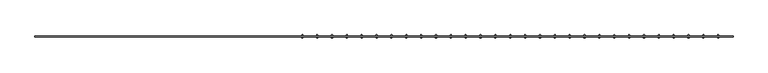
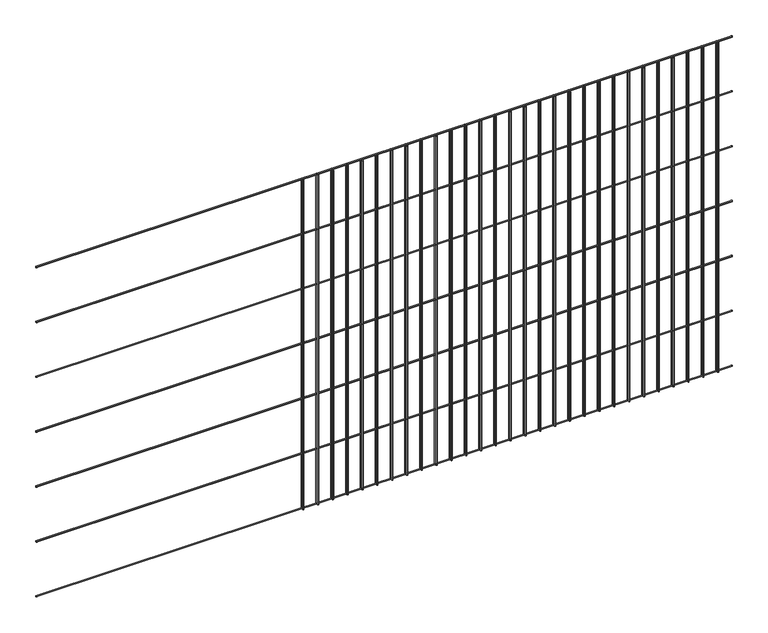
"""IFC4 building model written with IfcOpenShell, lengths in millimetres: railing geometry."""

from ifc_helpers import new_model, si_unit, point, frame, frame_2d, origin, place, context, project, spatial, circle_curve, trimmed, segment, composite_curve, outline, extrude, source, transform, mapped, element, save


def railing_7356c8a2(model_context):
    return source(origin(), model_context, "Body", "SweptSolid", [
        extrude(outline(composite_curve([segment(trimmed(circle_curve(frame_2d((-1798.7360363, 8841.2835937)), 2.0574), [point((-1796.6786363, 8841.2835937))], [point((-1800.7934363, 8841.2835937))], False, "CARTESIAN"), True, "CONTINUOUS"), segment(trimmed(circle_curve(frame_2d((-1798.7360363, 8841.2835937)), 2.0574), [point((-1800.7934363, 8841.2835937))], [point((-1796.6786363, 8841.2835937))], False, "CARTESIAN"), True, "CONTINUOUS")], self_intersect=False)), frame((-11285.4581376, 0.0, 0.0), z_axis=(1.0, 0.0, 0.0), x_axis=(0.0, 1.0, 0.0)), (0.0, 0.0, 1.0), 2438.4),
        extrude(outline(composite_curve([segment(trimmed(circle_curve(frame_2d((-1798.7360363, 8638.0835937)), 2.0574), [point((-1796.6786363, 8638.0835937))], [point((-1800.7934363, 8638.0835937))], False, "CARTESIAN"), True, "CONTINUOUS"), segment(trimmed(circle_curve(frame_2d((-1798.7360363, 8638.0835937)), 2.0574), [point((-1800.7934363, 8638.0835937))], [point((-1796.6786363, 8638.0835937))], False, "CARTESIAN"), True, "CONTINUOUS")], self_intersect=False)), frame((-11285.4581376, 0.0, 0.0), z_axis=(1.0, 0.0, 0.0), x_axis=(0.0, 1.0, 0.0)), (0.0, 0.0, 1.0), 2438.4),
        extrude(outline(composite_curve([segment(trimmed(circle_curve(frame_2d((-1798.7360363, 8434.8835937)), 2.0574), [point((-1796.6786363, 8434.8835937))], [point((-1800.7934363, 8434.8835937))], False, "CARTESIAN"), True, "CONTINUOUS"), segment(trimmed(circle_curve(frame_2d((-1798.7360363, 8434.8835937)), 2.0574), [point((-1800.7934363, 8434.8835937))], [point((-1796.6786363, 8434.8835937))], False, "CARTESIAN"), True, "CONTINUOUS")], self_intersect=False)), frame((-11285.4581376, 0.0, 0.0), z_axis=(1.0, 0.0, 0.0), x_axis=(0.0, 1.0, 0.0)), (0.0, 0.0, 1.0), 2438.4),
        extrude(outline(composite_curve([segment(trimmed(circle_curve(frame_2d((-1798.7360363, 8231.6835937)), 2.0574), [point((-1796.6786363, 8231.6835937))], [point((-1800.7934363, 8231.6835937))], False, "CARTESIAN"), True, "CONTINUOUS"), segment(trimmed(circle_curve(frame_2d((-1798.7360363, 8231.6835937)), 2.0574), [point((-1800.7934363, 8231.6835937))], [point((-1796.6786363, 8231.6835937))], False, "CARTESIAN"), True, "CONTINUOUS")], self_intersect=False)), frame((-11285.4581376, 0.0, 0.0), z_axis=(1.0, 0.0, 0.0), x_axis=(0.0, 1.0, 0.0)), (0.0, 0.0, 1.0), 2438.4),
        extrude(outline(composite_curve([segment(trimmed(circle_curve(frame_2d((-1798.7360363, 8028.4835937)), 2.0574), [point((-1796.6786363, 8028.4835937))], [point((-1800.7934363, 8028.4835937))], False, "CARTESIAN"), True, "CONTINUOUS"), segment(trimmed(circle_curve(frame_2d((-1798.7360363, 8028.4835937)), 2.0574), [point((-1800.7934363, 8028.4835937))], [point((-1796.6786363, 8028.4835937))], False, "CARTESIAN"), True, "CONTINUOUS")], self_intersect=False)), frame((-11285.4581376, 0.0, 0.0), z_axis=(1.0, 0.0, 0.0), x_axis=(0.0, 1.0, 0.0)), (0.0, 0.0, 1.0), 2438.4),
        extrude(outline(composite_curve([segment(trimmed(circle_curve(frame_2d((-1798.7360363, 7825.2835937)), 2.0574), [point((-1796.6786363, 7825.2835937))], [point((-1800.7934363, 7825.2835937))], False, "CARTESIAN"), True, "CONTINUOUS"), segment(trimmed(circle_curve(frame_2d((-1798.7360363, 7825.2835937)), 2.0574), [point((-1800.7934363, 7825.2835937))], [point((-1796.6786363, 7825.2835937))], False, "CARTESIAN"), True, "CONTINUOUS")], self_intersect=False)), frame((-11285.4581376, 0.0, 0.0), z_axis=(1.0, 0.0, 0.0), x_axis=(0.0, 1.0, 0.0)), (0.0, 0.0, 1.0), 2438.4),
        extrude(outline(composite_curve([segment(trimmed(circle_curve(frame_2d((-1798.7360363, 7622.0835937)), 2.0574), [point((-1796.6786363, 7622.0835937))], [point((-1800.7934363, 7622.0835937))], False, "CARTESIAN"), True, "CONTINUOUS"), segment(trimmed(circle_curve(frame_2d((-1798.7360363, 7622.0835937)), 2.0574), [point((-1800.7934363, 7622.0835937))], [point((-1796.6786363, 7622.0835937))], False, "CARTESIAN"), True, "CONTINUOUS")], self_intersect=False)), frame((-11285.4581376, 0.0, 0.0), z_axis=(1.0, 0.0, 0.0), x_axis=(0.0, 1.0, 0.0)), (0.0, 0.0, 1.0), 2438.4),
        extrude(outline(composite_curve([segment(trimmed(circle_curve(frame_2d((-8898.9389887, -1794.6212363)), 2.0574), [point((-8898.9389887, -1796.6786363))], [point((-8898.9389887, -1792.5638363))], False, "CARTESIAN"), True, "CONTINUOUS"), segment(trimmed(circle_curve(frame_2d((-8898.9389887, -1794.6212363)), 2.0574), [point((-8898.9389887, -1792.5638363))], [point((-8898.9389887, -1796.6786363))], False, "CARTESIAN"), True, "CONTINUOUS")], self_intersect=False)), frame((0.0, 0.0, 7620.0), z_axis=(0.0, 0.0, 1.0), x_axis=(1.0, 0.0, 0.0)), (0.0, 0.0, 1.0), 1219.2),
        extrude(outline(composite_curve([segment(trimmed(circle_curve(frame_2d((-8898.9389887, -1802.8508363)), 2.0574), [point((-8898.9389887, -1800.7934363))], [point((-8898.9389887, -1804.9082363))], False, "CARTESIAN"), True, "CONTINUOUS"), segment(trimmed(circle_curve(frame_2d((-8898.9389887, -1802.8508363)), 2.0574), [point((-8898.9389887, -1804.9082363))], [point((-8898.9389887, -1800.7934363))], False, "CARTESIAN"), True, "CONTINUOUS")], self_intersect=False)), frame((0.0, 0.0, 7620.0), z_axis=(0.0, 0.0, 1.0), x_axis=(1.0, 0.0, 0.0)), (0.0, 0.0, 1.0), 1219.2),
        extrude(outline(composite_curve([segment(trimmed(circle_curve(frame_2d((-8950.8198397, -1794.6212363)), 2.0574), [point((-8950.8198397, -1796.6786363))], [point((-8950.8198397, -1792.5638363))], False, "CARTESIAN"), True, "CONTINUOUS"), segment(trimmed(circle_curve(frame_2d((-8950.8198397, -1794.6212363)), 2.0574), [point((-8950.8198397, -1792.5638363))], [point((-8950.8198397, -1796.6786363))], False, "CARTESIAN"), True, "CONTINUOUS")], self_intersect=False)), frame((0.0, 0.0, 7620.0), z_axis=(0.0, 0.0, 1.0), x_axis=(1.0, 0.0, 0.0)), (0.0, 0.0, 1.0), 1219.2),
        extrude(outline(composite_curve([segment(trimmed(circle_curve(frame_2d((-8950.8198397, -1802.8508363)), 2.0574), [point((-8950.8198397, -1800.7934363))], [point((-8950.8198397, -1804.9082363))], False, "CARTESIAN"), True, "CONTINUOUS"), segment(trimmed(circle_curve(frame_2d((-8950.8198397, -1802.8508363)), 2.0574), [point((-8950.8198397, -1804.9082363))], [point((-8950.8198397, -1800.7934363))], False, "CARTESIAN"), True, "CONTINUOUS")], self_intersect=False)), frame((0.0, 0.0, 7620.0), z_axis=(0.0, 0.0, 1.0), x_axis=(1.0, 0.0, 0.0)), (0.0, 0.0, 1.0), 1219.2),
        extrude(outline(composite_curve([segment(trimmed(circle_curve(frame_2d((-9002.7006908, -1794.6212363)), 2.0574), [point((-9002.7006908, -1796.6786363))], [point((-9002.7006908, -1792.5638363))], False, "CARTESIAN"), True, "CONTINUOUS"), segment(trimmed(circle_curve(frame_2d((-9002.7006908, -1794.6212363)), 2.0574), [point((-9002.7006908, -1792.5638363))], [point((-9002.7006908, -1796.6786363))], False, "CARTESIAN"), True, "CONTINUOUS")], self_intersect=False)), frame((0.0, 0.0, 7620.0), z_axis=(0.0, 0.0, 1.0), x_axis=(1.0, 0.0, 0.0)), (0.0, 0.0, 1.0), 1219.2),
        extrude(outline(composite_curve([segment(trimmed(circle_curve(frame_2d((-9002.7006908, -1802.8508363)), 2.0574), [point((-9002.7006908, -1800.7934363))], [point((-9002.7006908, -1804.9082363))], False, "CARTESIAN"), True, "CONTINUOUS"), segment(trimmed(circle_curve(frame_2d((-9002.7006908, -1802.8508363)), 2.0574), [point((-9002.7006908, -1804.9082363))], [point((-9002.7006908, -1800.7934363))], False, "CARTESIAN"), True, "CONTINUOUS")], self_intersect=False)), frame((0.0, 0.0, 7620.0), z_axis=(0.0, 0.0, 1.0), x_axis=(1.0, 0.0, 0.0)), (0.0, 0.0, 1.0), 1219.2),
        extrude(outline(composite_curve([segment(trimmed(circle_curve(frame_2d((-9054.5815419, -1794.6212363)), 2.0574), [point((-9054.5815419, -1796.6786363))], [point((-9054.5815419, -1792.5638363))], False, "CARTESIAN"), True, "CONTINUOUS"), segment(trimmed(circle_curve(frame_2d((-9054.5815419, -1794.6212363)), 2.0574), [point((-9054.5815419, -1792.5638363))], [point((-9054.5815419, -1796.6786363))], False, "CARTESIAN"), True, "CONTINUOUS")], self_intersect=False)), frame((0.0, 0.0, 7620.0), z_axis=(0.0, 0.0, 1.0), x_axis=(1.0, 0.0, 0.0)), (0.0, 0.0, 1.0), 1219.2),
        extrude(outline(composite_curve([segment(trimmed(circle_curve(frame_2d((-9054.5815419, -1802.8508363)), 2.0574), [point((-9054.5815419, -1800.7934363))], [point((-9054.5815419, -1804.9082363))], False, "CARTESIAN"), True, "CONTINUOUS"), segment(trimmed(circle_curve(frame_2d((-9054.5815419, -1802.8508363)), 2.0574), [point((-9054.5815419, -1804.9082363))], [point((-9054.5815419, -1800.7934363))], False, "CARTESIAN"), True, "CONTINUOUS")], self_intersect=False)), frame((0.0, 0.0, 7620.0), z_axis=(0.0, 0.0, 1.0), x_axis=(1.0, 0.0, 0.0)), (0.0, 0.0, 1.0), 1219.2),
        extrude(outline(composite_curve([segment(trimmed(circle_curve(frame_2d((-9106.4623929, -1794.6212363)), 2.0574), [point((-9106.4623929, -1796.6786363))], [point((-9106.4623929, -1792.5638363))], False, "CARTESIAN"), True, "CONTINUOUS"), segment(trimmed(circle_curve(frame_2d((-9106.4623929, -1794.6212363)), 2.0574), [point((-9106.4623929, -1792.5638363))], [point((-9106.4623929, -1796.6786363))], False, "CARTESIAN"), True, "CONTINUOUS")], self_intersect=False)), frame((0.0, 0.0, 7620.0), z_axis=(0.0, 0.0, 1.0), x_axis=(1.0, 0.0, 0.0)), (0.0, 0.0, 1.0), 1219.2),
        extrude(outline(composite_curve([segment(trimmed(circle_curve(frame_2d((-9106.4623929, -1802.8508363)), 2.0574), [point((-9106.4623929, -1800.7934363))], [point((-9106.4623929, -1804.9082363))], False, "CARTESIAN"), True, "CONTINUOUS"), segment(trimmed(circle_curve(frame_2d((-9106.4623929, -1802.8508363)), 2.0574), [point((-9106.4623929, -1804.9082363))], [point((-9106.4623929, -1800.7934363))], False, "CARTESIAN"), True, "CONTINUOUS")], self_intersect=False)), frame((0.0, 0.0, 7620.0), z_axis=(0.0, 0.0, 1.0), x_axis=(1.0, 0.0, 0.0)), (0.0, 0.0, 1.0), 1219.2),
        extrude(outline(composite_curve([segment(trimmed(circle_curve(frame_2d((-9158.343244, -1794.6212363)), 2.0574), [point((-9158.343244, -1796.6786363))], [point((-9158.343244, -1792.5638363))], False, "CARTESIAN"), True, "CONTINUOUS"), segment(trimmed(circle_curve(frame_2d((-9158.343244, -1794.6212363)), 2.0574), [point((-9158.343244, -1792.5638363))], [point((-9158.343244, -1796.6786363))], False, "CARTESIAN"), True, "CONTINUOUS")], self_intersect=False)), frame((0.0, 0.0, 7620.0), z_axis=(0.0, 0.0, 1.0), x_axis=(1.0, 0.0, 0.0)), (0.0, 0.0, 1.0), 1219.2),
        extrude(outline(composite_curve([segment(trimmed(circle_curve(frame_2d((-9158.343244, -1802.8508363)), 2.0574), [point((-9158.343244, -1800.7934363))], [point((-9158.343244, -1804.9082363))], False, "CARTESIAN"), True, "CONTINUOUS"), segment(trimmed(circle_curve(frame_2d((-9158.343244, -1802.8508363)), 2.0574), [point((-9158.343244, -1804.9082363))], [point((-9158.343244, -1800.7934363))], False, "CARTESIAN"), True, "CONTINUOUS")], self_intersect=False)), frame((0.0, 0.0, 7620.0), z_axis=(0.0, 0.0, 1.0), x_axis=(1.0, 0.0, 0.0)), (0.0, 0.0, 1.0), 1219.2),
        extrude(outline(composite_curve([segment(trimmed(circle_curve(frame_2d((-9210.2240951, -1794.6212363)), 2.0574), [point((-9210.2240951, -1796.6786363))], [point((-9210.2240951, -1792.5638363))], False, "CARTESIAN"), True, "CONTINUOUS"), segment(trimmed(circle_curve(frame_2d((-9210.2240951, -1794.6212363)), 2.0574), [point((-9210.2240951, -1792.5638363))], [point((-9210.2240951, -1796.6786363))], False, "CARTESIAN"), True, "CONTINUOUS")], self_intersect=False)), frame((0.0, 0.0, 7620.0), z_axis=(0.0, 0.0, 1.0), x_axis=(1.0, 0.0, 0.0)), (0.0, 0.0, 1.0), 1219.2),
        extrude(outline(composite_curve([segment(trimmed(circle_curve(frame_2d((-9210.2240951, -1802.8508363)), 2.0574), [point((-9210.2240951, -1800.7934363))], [point((-9210.2240951, -1804.9082363))], False, "CARTESIAN"), True, "CONTINUOUS"), segment(trimmed(circle_curve(frame_2d((-9210.2240951, -1802.8508363)), 2.0574), [point((-9210.2240951, -1804.9082363))], [point((-9210.2240951, -1800.7934363))], False, "CARTESIAN"), True, "CONTINUOUS")], self_intersect=False)), frame((0.0, 0.0, 7620.0), z_axis=(0.0, 0.0, 1.0), x_axis=(1.0, 0.0, 0.0)), (0.0, 0.0, 1.0), 1219.2),
        extrude(outline(composite_curve([segment(trimmed(circle_curve(frame_2d((-9262.1049461, -1794.6212363)), 2.0574), [point((-9262.1049461, -1796.6786363))], [point((-9262.1049461, -1792.5638363))], False, "CARTESIAN"), True, "CONTINUOUS"), segment(trimmed(circle_curve(frame_2d((-9262.1049461, -1794.6212363)), 2.0574), [point((-9262.1049461, -1792.5638363))], [point((-9262.1049461, -1796.6786363))], False, "CARTESIAN"), True, "CONTINUOUS")], self_intersect=False)), frame((0.0, 0.0, 7620.0), z_axis=(0.0, 0.0, 1.0), x_axis=(1.0, 0.0, 0.0)), (0.0, 0.0, 1.0), 1219.2),
        extrude(outline(composite_curve([segment(trimmed(circle_curve(frame_2d((-9262.1049461, -1802.8508363)), 2.0574), [point((-9262.1049461, -1800.7934363))], [point((-9262.1049461, -1804.9082363))], False, "CARTESIAN"), True, "CONTINUOUS"), segment(trimmed(circle_curve(frame_2d((-9262.1049461, -1802.8508363)), 2.0574), [point((-9262.1049461, -1804.9082363))], [point((-9262.1049461, -1800.7934363))], False, "CARTESIAN"), True, "CONTINUOUS")], self_intersect=False)), frame((0.0, 0.0, 7620.0), z_axis=(0.0, 0.0, 1.0), x_axis=(1.0, 0.0, 0.0)), (0.0, 0.0, 1.0), 1219.2),
        extrude(outline(composite_curve([segment(trimmed(circle_curve(frame_2d((-9313.9857972, -1794.6212363)), 2.0574), [point((-9313.9857972, -1796.6786363))], [point((-9313.9857972, -1792.5638363))], False, "CARTESIAN"), True, "CONTINUOUS"), segment(trimmed(circle_curve(frame_2d((-9313.9857972, -1794.6212363)), 2.0574), [point((-9313.9857972, -1792.5638363))], [point((-9313.9857972, -1796.6786363))], False, "CARTESIAN"), True, "CONTINUOUS")], self_intersect=False)), frame((0.0, 0.0, 7620.0), z_axis=(0.0, 0.0, 1.0), x_axis=(1.0, 0.0, 0.0)), (0.0, 0.0, 1.0), 1219.2),
        extrude(outline(composite_curve([segment(trimmed(circle_curve(frame_2d((-9313.9857972, -1802.8508363)), 2.0574), [point((-9313.9857972, -1800.7934363))], [point((-9313.9857972, -1804.9082363))], False, "CARTESIAN"), True, "CONTINUOUS"), segment(trimmed(circle_curve(frame_2d((-9313.9857972, -1802.8508363)), 2.0574), [point((-9313.9857972, -1804.9082363))], [point((-9313.9857972, -1800.7934363))], False, "CARTESIAN"), True, "CONTINUOUS")], self_intersect=False)), frame((0.0, 0.0, 7620.0), z_axis=(0.0, 0.0, 1.0), x_axis=(1.0, 0.0, 0.0)), (0.0, 0.0, 1.0), 1219.2),
        extrude(outline(composite_curve([segment(trimmed(circle_curve(frame_2d((-9365.8666482, -1794.6212363)), 2.0574), [point((-9365.8666482, -1796.6786363))], [point((-9365.8666482, -1792.5638363))], False, "CARTESIAN"), True, "CONTINUOUS"), segment(trimmed(circle_curve(frame_2d((-9365.8666482, -1794.6212363)), 2.0574), [point((-9365.8666482, -1792.5638363))], [point((-9365.8666482, -1796.6786363))], False, "CARTESIAN"), True, "CONTINUOUS")], self_intersect=False)), frame((0.0, 0.0, 7620.0), z_axis=(0.0, 0.0, 1.0), x_axis=(1.0, 0.0, 0.0)), (0.0, 0.0, 1.0), 1219.2),
        extrude(outline(composite_curve([segment(trimmed(circle_curve(frame_2d((-9365.8666482, -1802.8508363)), 2.0574), [point((-9365.8666482, -1800.7934363))], [point((-9365.8666482, -1804.9082363))], False, "CARTESIAN"), True, "CONTINUOUS"), segment(trimmed(circle_curve(frame_2d((-9365.8666482, -1802.8508363)), 2.0574), [point((-9365.8666482, -1804.9082363))], [point((-9365.8666482, -1800.7934363))], False, "CARTESIAN"), True, "CONTINUOUS")], self_intersect=False)), frame((0.0, 0.0, 7620.0), z_axis=(0.0, 0.0, 1.0), x_axis=(1.0, 0.0, 0.0)), (0.0, 0.0, 1.0), 1219.2),
        extrude(outline(composite_curve([segment(trimmed(circle_curve(frame_2d((-9417.7474993, -1794.6212363)), 2.0574), [point((-9417.7474993, -1796.6786363))], [point((-9417.7474993, -1792.5638363))], False, "CARTESIAN"), True, "CONTINUOUS"), segment(trimmed(circle_curve(frame_2d((-9417.7474993, -1794.6212363)), 2.0574), [point((-9417.7474993, -1792.5638363))], [point((-9417.7474993, -1796.6786363))], False, "CARTESIAN"), True, "CONTINUOUS")], self_intersect=False)), frame((0.0, 0.0, 7620.0), z_axis=(0.0, 0.0, 1.0), x_axis=(1.0, 0.0, 0.0)), (0.0, 0.0, 1.0), 1219.2),
        extrude(outline(composite_curve([segment(trimmed(circle_curve(frame_2d((-9417.7474993, -1802.8508363)), 2.0574), [point((-9417.7474993, -1800.7934363))], [point((-9417.7474993, -1804.9082363))], False, "CARTESIAN"), True, "CONTINUOUS"), segment(trimmed(circle_curve(frame_2d((-9417.7474993, -1802.8508363)), 2.0574), [point((-9417.7474993, -1804.9082363))], [point((-9417.7474993, -1800.7934363))], False, "CARTESIAN"), True, "CONTINUOUS")], self_intersect=False)), frame((0.0, 0.0, 7620.0), z_axis=(0.0, 0.0, 1.0), x_axis=(1.0, 0.0, 0.0)), (0.0, 0.0, 1.0), 1219.2),
        extrude(outline(composite_curve([segment(trimmed(circle_curve(frame_2d((-9469.6283504, -1794.6212363)), 2.0574), [point((-9469.6283504, -1796.6786363))], [point((-9469.6283504, -1792.5638363))], False, "CARTESIAN"), True, "CONTINUOUS"), segment(trimmed(circle_curve(frame_2d((-9469.6283504, -1794.6212363)), 2.0574), [point((-9469.6283504, -1792.5638363))], [point((-9469.6283504, -1796.6786363))], False, "CARTESIAN"), True, "CONTINUOUS")], self_intersect=False)), frame((0.0, 0.0, 7620.0), z_axis=(0.0, 0.0, 1.0), x_axis=(1.0, 0.0, 0.0)), (0.0, 0.0, 1.0), 1219.2),
        extrude(outline(composite_curve([segment(trimmed(circle_curve(frame_2d((-9469.6283504, -1802.8508363)), 2.0574), [point((-9469.6283504, -1800.7934363))], [point((-9469.6283504, -1804.9082363))], False, "CARTESIAN"), True, "CONTINUOUS"), segment(trimmed(circle_curve(frame_2d((-9469.6283504, -1802.8508363)), 2.0574), [point((-9469.6283504, -1804.9082363))], [point((-9469.6283504, -1800.7934363))], False, "CARTESIAN"), True, "CONTINUOUS")], self_intersect=False)), frame((0.0, 0.0, 7620.0), z_axis=(0.0, 0.0, 1.0), x_axis=(1.0, 0.0, 0.0)), (0.0, 0.0, 1.0), 1219.2),
        extrude(outline(composite_curve([segment(trimmed(circle_curve(frame_2d((-9521.5092014, -1794.6212363)), 2.0574), [point((-9521.5092014, -1796.6786363))], [point((-9521.5092014, -1792.5638363))], False, "CARTESIAN"), True, "CONTINUOUS"), segment(trimmed(circle_curve(frame_2d((-9521.5092014, -1794.6212363)), 2.0574), [point((-9521.5092014, -1792.5638363))], [point((-9521.5092014, -1796.6786363))], False, "CARTESIAN"), True, "CONTINUOUS")], self_intersect=False)), frame((0.0, 0.0, 7620.0), z_axis=(0.0, 0.0, 1.0), x_axis=(1.0, 0.0, 0.0)), (0.0, 0.0, 1.0), 1219.2),
        extrude(outline(composite_curve([segment(trimmed(circle_curve(frame_2d((-9521.5092014, -1802.8508363)), 2.0574), [point((-9521.5092014, -1800.7934363))], [point((-9521.5092014, -1804.9082363))], False, "CARTESIAN"), True, "CONTINUOUS"), segment(trimmed(circle_curve(frame_2d((-9521.5092014, -1802.8508363)), 2.0574), [point((-9521.5092014, -1804.9082363))], [point((-9521.5092014, -1800.7934363))], False, "CARTESIAN"), True, "CONTINUOUS")], self_intersect=False)), frame((0.0, 0.0, 7620.0), z_axis=(0.0, 0.0, 1.0), x_axis=(1.0, 0.0, 0.0)), (0.0, 0.0, 1.0), 1219.2),
        extrude(outline(composite_curve([segment(trimmed(circle_curve(frame_2d((-9573.3900525, -1794.6212363)), 2.0574), [point((-9573.3900525, -1796.6786363))], [point((-9573.3900525, -1792.5638363))], False, "CARTESIAN"), True, "CONTINUOUS"), segment(trimmed(circle_curve(frame_2d((-9573.3900525, -1794.6212363)), 2.0574), [point((-9573.3900525, -1792.5638363))], [point((-9573.3900525, -1796.6786363))], False, "CARTESIAN"), True, "CONTINUOUS")], self_intersect=False)), frame((0.0, 0.0, 7620.0), z_axis=(0.0, 0.0, 1.0), x_axis=(1.0, 0.0, 0.0)), (0.0, 0.0, 1.0), 1219.2),
        extrude(outline(composite_curve([segment(trimmed(circle_curve(frame_2d((-9573.3900525, -1802.8508363)), 2.0574), [point((-9573.3900525, -1800.7934363))], [point((-9573.3900525, -1804.9082363))], False, "CARTESIAN"), True, "CONTINUOUS"), segment(trimmed(circle_curve(frame_2d((-9573.3900525, -1802.8508363)), 2.0574), [point((-9573.3900525, -1804.9082363))], [point((-9573.3900525, -1800.7934363))], False, "CARTESIAN"), True, "CONTINUOUS")], self_intersect=False)), frame((0.0, 0.0, 7620.0), z_axis=(0.0, 0.0, 1.0), x_axis=(1.0, 0.0, 0.0)), (0.0, 0.0, 1.0), 1219.2),
        extrude(outline(composite_curve([segment(trimmed(circle_curve(frame_2d((-9625.2709036, -1794.6212363)), 2.0574), [point((-9625.2709036, -1796.6786363))], [point((-9625.2709036, -1792.5638363))], False, "CARTESIAN"), True, "CONTINUOUS"), segment(trimmed(circle_curve(frame_2d((-9625.2709036, -1794.6212363)), 2.0574), [point((-9625.2709036, -1792.5638363))], [point((-9625.2709036, -1796.6786363))], False, "CARTESIAN"), True, "CONTINUOUS")], self_intersect=False)), frame((0.0, 0.0, 7620.0), z_axis=(0.0, 0.0, 1.0), x_axis=(1.0, 0.0, 0.0)), (0.0, 0.0, 1.0), 1219.2),
        extrude(outline(composite_curve([segment(trimmed(circle_curve(frame_2d((-9625.2709036, -1802.8508363)), 2.0574), [point((-9625.2709036, -1800.7934363))], [point((-9625.2709036, -1804.9082363))], False, "CARTESIAN"), True, "CONTINUOUS"), segment(trimmed(circle_curve(frame_2d((-9625.2709036, -1802.8508363)), 2.0574), [point((-9625.2709036, -1804.9082363))], [point((-9625.2709036, -1800.7934363))], False, "CARTESIAN"), True, "CONTINUOUS")], self_intersect=False)), frame((0.0, 0.0, 7620.0), z_axis=(0.0, 0.0, 1.0), x_axis=(1.0, 0.0, 0.0)), (0.0, 0.0, 1.0), 1219.2),
        extrude(outline(composite_curve([segment(trimmed(circle_curve(frame_2d((-9677.1517546, -1794.6212363)), 2.0574), [point((-9677.1517546, -1796.6786363))], [point((-9677.1517546, -1792.5638363))], False, "CARTESIAN"), True, "CONTINUOUS"), segment(trimmed(circle_curve(frame_2d((-9677.1517546, -1794.6212363)), 2.0574), [point((-9677.1517546, -1792.5638363))], [point((-9677.1517546, -1796.6786363))], False, "CARTESIAN"), True, "CONTINUOUS")], self_intersect=False)), frame((0.0, 0.0, 7620.0), z_axis=(0.0, 0.0, 1.0), x_axis=(1.0, 0.0, 0.0)), (0.0, 0.0, 1.0), 1219.2),
        extrude(outline(composite_curve([segment(trimmed(circle_curve(frame_2d((-9677.1517546, -1802.8508363)), 2.0574), [point((-9677.1517546, -1800.7934363))], [point((-9677.1517546, -1804.9082363))], False, "CARTESIAN"), True, "CONTINUOUS"), segment(trimmed(circle_curve(frame_2d((-9677.1517546, -1802.8508363)), 2.0574), [point((-9677.1517546, -1804.9082363))], [point((-9677.1517546, -1800.7934363))], False, "CARTESIAN"), True, "CONTINUOUS")], self_intersect=False)), frame((0.0, 0.0, 7620.0), z_axis=(0.0, 0.0, 1.0), x_axis=(1.0, 0.0, 0.0)), (0.0, 0.0, 1.0), 1219.2),
        extrude(outline(composite_curve([segment(trimmed(circle_curve(frame_2d((-9729.0326057, -1794.6212363)), 2.0574), [point((-9729.0326057, -1796.6786363))], [point((-9729.0326057, -1792.5638363))], False, "CARTESIAN"), True, "CONTINUOUS"), segment(trimmed(circle_curve(frame_2d((-9729.0326057, -1794.6212363)), 2.0574), [point((-9729.0326057, -1792.5638363))], [point((-9729.0326057, -1796.6786363))], False, "CARTESIAN"), True, "CONTINUOUS")], self_intersect=False)), frame((0.0, 0.0, 7620.0), z_axis=(0.0, 0.0, 1.0), x_axis=(1.0, 0.0, 0.0)), (0.0, 0.0, 1.0), 1219.2),
        extrude(outline(composite_curve([segment(trimmed(circle_curve(frame_2d((-9729.0326057, -1802.8508363)), 2.0574), [point((-9729.0326057, -1800.7934363))], [point((-9729.0326057, -1804.9082363))], False, "CARTESIAN"), True, "CONTINUOUS"), segment(trimmed(circle_curve(frame_2d((-9729.0326057, -1802.8508363)), 2.0574), [point((-9729.0326057, -1804.9082363))], [point((-9729.0326057, -1800.7934363))], False, "CARTESIAN"), True, "CONTINUOUS")], self_intersect=False)), frame((0.0, 0.0, 7620.0), z_axis=(0.0, 0.0, 1.0), x_axis=(1.0, 0.0, 0.0)), (0.0, 0.0, 1.0), 1219.2),
        extrude(outline(composite_curve([segment(trimmed(circle_curve(frame_2d((-9780.9134568, -1794.6212363)), 2.0574), [point((-9780.9134568, -1796.6786363))], [point((-9780.9134568, -1792.5638363))], False, "CARTESIAN"), True, "CONTINUOUS"), segment(trimmed(circle_curve(frame_2d((-9780.9134568, -1794.6212363)), 2.0574), [point((-9780.9134568, -1792.5638363))], [point((-9780.9134568, -1796.6786363))], False, "CARTESIAN"), True, "CONTINUOUS")], self_intersect=False)), frame((0.0, 0.0, 7620.0), z_axis=(0.0, 0.0, 1.0), x_axis=(1.0, 0.0, 0.0)), (0.0, 0.0, 1.0), 1219.2),
        extrude(outline(composite_curve([segment(trimmed(circle_curve(frame_2d((-9780.9134568, -1802.8508363)), 2.0574), [point((-9780.9134568, -1800.7934363))], [point((-9780.9134568, -1804.9082363))], False, "CARTESIAN"), True, "CONTINUOUS"), segment(trimmed(circle_curve(frame_2d((-9780.9134568, -1802.8508363)), 2.0574), [point((-9780.9134568, -1804.9082363))], [point((-9780.9134568, -1800.7934363))], False, "CARTESIAN"), True, "CONTINUOUS")], self_intersect=False)), frame((0.0, 0.0, 7620.0), z_axis=(0.0, 0.0, 1.0), x_axis=(1.0, 0.0, 0.0)), (0.0, 0.0, 1.0), 1219.2),
        extrude(outline(composite_curve([segment(trimmed(circle_curve(frame_2d((-9832.7943078, -1794.6212363)), 2.0574), [point((-9832.7943078, -1796.6786363))], [point((-9832.7943078, -1792.5638363))], False, "CARTESIAN"), True, "CONTINUOUS"), segment(trimmed(circle_curve(frame_2d((-9832.7943078, -1794.6212363)), 2.0574), [point((-9832.7943078, -1792.5638363))], [point((-9832.7943078, -1796.6786363))], False, "CARTESIAN"), True, "CONTINUOUS")], self_intersect=False)), frame((0.0, 0.0, 7620.0), z_axis=(0.0, 0.0, 1.0), x_axis=(1.0, 0.0, 0.0)), (0.0, 0.0, 1.0), 1219.2),
        extrude(outline(composite_curve([segment(trimmed(circle_curve(frame_2d((-9832.7943078, -1802.8508363)), 2.0574), [point((-9832.7943078, -1800.7934363))], [point((-9832.7943078, -1804.9082363))], False, "CARTESIAN"), True, "CONTINUOUS"), segment(trimmed(circle_curve(frame_2d((-9832.7943078, -1802.8508363)), 2.0574), [point((-9832.7943078, -1804.9082363))], [point((-9832.7943078, -1800.7934363))], False, "CARTESIAN"), True, "CONTINUOUS")], self_intersect=False)), frame((0.0, 0.0, 7620.0), z_axis=(0.0, 0.0, 1.0), x_axis=(1.0, 0.0, 0.0)), (0.0, 0.0, 1.0), 1219.2),
        extrude(outline(composite_curve([segment(trimmed(circle_curve(frame_2d((-9884.6751589, -1794.6212363)), 2.0574), [point((-9884.6751589, -1796.6786363))], [point((-9884.6751589, -1792.5638363))], False, "CARTESIAN"), True, "CONTINUOUS"), segment(trimmed(circle_curve(frame_2d((-9884.6751589, -1794.6212363)), 2.0574), [point((-9884.6751589, -1792.5638363))], [point((-9884.6751589, -1796.6786363))], False, "CARTESIAN"), True, "CONTINUOUS")], self_intersect=False)), frame((0.0, 0.0, 7620.0), z_axis=(0.0, 0.0, 1.0), x_axis=(1.0, 0.0, 0.0)), (0.0, 0.0, 1.0), 1219.2),
        extrude(outline(composite_curve([segment(trimmed(circle_curve(frame_2d((-9884.6751589, -1802.8508363)), 2.0574), [point((-9884.6751589, -1800.7934363))], [point((-9884.6751589, -1804.9082363))], False, "CARTESIAN"), True, "CONTINUOUS"), segment(trimmed(circle_curve(frame_2d((-9884.6751589, -1802.8508363)), 2.0574), [point((-9884.6751589, -1804.9082363))], [point((-9884.6751589, -1800.7934363))], False, "CARTESIAN"), True, "CONTINUOUS")], self_intersect=False)), frame((0.0, 0.0, 7620.0), z_axis=(0.0, 0.0, 1.0), x_axis=(1.0, 0.0, 0.0)), (0.0, 0.0, 1.0), 1219.2),
        extrude(outline(composite_curve([segment(trimmed(circle_curve(frame_2d((-9936.55601, -1794.6212363)), 2.0574), [point((-9936.55601, -1796.6786363))], [point((-9936.55601, -1792.5638363))], False, "CARTESIAN"), True, "CONTINUOUS"), segment(trimmed(circle_curve(frame_2d((-9936.55601, -1794.6212363)), 2.0574), [point((-9936.55601, -1792.5638363))], [point((-9936.55601, -1796.6786363))], False, "CARTESIAN"), True, "CONTINUOUS")], self_intersect=False)), frame((0.0, 0.0, 7620.0), z_axis=(0.0, 0.0, 1.0), x_axis=(1.0, 0.0, 0.0)), (0.0, 0.0, 1.0), 1219.2),
        extrude(outline(composite_curve([segment(trimmed(circle_curve(frame_2d((-9936.55601, -1802.8508363)), 2.0574), [point((-9936.55601, -1800.7934363))], [point((-9936.55601, -1804.9082363))], False, "CARTESIAN"), True, "CONTINUOUS"), segment(trimmed(circle_curve(frame_2d((-9936.55601, -1802.8508363)), 2.0574), [point((-9936.55601, -1804.9082363))], [point((-9936.55601, -1800.7934363))], False, "CARTESIAN"), True, "CONTINUOUS")], self_intersect=False)), frame((0.0, 0.0, 7620.0), z_axis=(0.0, 0.0, 1.0), x_axis=(1.0, 0.0, 0.0)), (0.0, 0.0, 1.0), 1219.2),
        extrude(outline(composite_curve([segment(trimmed(circle_curve(frame_2d((-9988.436861, -1794.6212363)), 2.0574), [point((-9988.436861, -1796.6786363))], [point((-9988.436861, -1792.5638363))], False, "CARTESIAN"), True, "CONTINUOUS"), segment(trimmed(circle_curve(frame_2d((-9988.436861, -1794.6212363)), 2.0574), [point((-9988.436861, -1792.5638363))], [point((-9988.436861, -1796.6786363))], False, "CARTESIAN"), True, "CONTINUOUS")], self_intersect=False)), frame((0.0, 0.0, 7620.0), z_axis=(0.0, 0.0, 1.0), x_axis=(1.0, 0.0, 0.0)), (0.0, 0.0, 1.0), 1219.2),
        extrude(outline(composite_curve([segment(trimmed(circle_curve(frame_2d((-9988.436861, -1802.8508363)), 2.0574), [point((-9988.436861, -1800.7934363))], [point((-9988.436861, -1804.9082363))], False, "CARTESIAN"), True, "CONTINUOUS"), segment(trimmed(circle_curve(frame_2d((-9988.436861, -1802.8508363)), 2.0574), [point((-9988.436861, -1804.9082363))], [point((-9988.436861, -1800.7934363))], False, "CARTESIAN"), True, "CONTINUOUS")], self_intersect=False)), frame((0.0, 0.0, 7620.0), z_axis=(0.0, 0.0, 1.0), x_axis=(1.0, 0.0, 0.0)), (0.0, 0.0, 1.0), 1219.2),
        extrude(outline(composite_curve([segment(trimmed(circle_curve(frame_2d((-10040.3177121, -1794.6212363)), 2.0574), [point((-10040.3177121, -1796.6786363))], [point((-10040.3177121, -1792.5638363))], False, "CARTESIAN"), True, "CONTINUOUS"), segment(trimmed(circle_curve(frame_2d((-10040.3177121, -1794.6212363)), 2.0574), [point((-10040.3177121, -1792.5638363))], [point((-10040.3177121, -1796.6786363))], False, "CARTESIAN"), True, "CONTINUOUS")], self_intersect=False)), frame((0.0, 0.0, 7620.0), z_axis=(0.0, 0.0, 1.0), x_axis=(1.0, 0.0, 0.0)), (0.0, 0.0, 1.0), 1219.2),
        extrude(outline(composite_curve([segment(trimmed(circle_curve(frame_2d((-10040.3177121, -1802.8508363)), 2.0574), [point((-10040.3177121, -1800.7934363))], [point((-10040.3177121, -1804.9082363))], False, "CARTESIAN"), True, "CONTINUOUS"), segment(trimmed(circle_curve(frame_2d((-10040.3177121, -1802.8508363)), 2.0574), [point((-10040.3177121, -1804.9082363))], [point((-10040.3177121, -1800.7934363))], False, "CARTESIAN"), True, "CONTINUOUS")], self_intersect=False)), frame((0.0, 0.0, 7620.0), z_axis=(0.0, 0.0, 1.0), x_axis=(1.0, 0.0, 0.0)), (0.0, 0.0, 1.0), 1219.2),
        extrude(outline(composite_curve([segment(trimmed(circle_curve(frame_2d((-10092.1985631, -1794.6212363)), 2.0574), [point((-10092.1985631, -1796.6786363))], [point((-10092.1985631, -1792.5638363))], False, "CARTESIAN"), True, "CONTINUOUS"), segment(trimmed(circle_curve(frame_2d((-10092.1985631, -1794.6212363)), 2.0574), [point((-10092.1985631, -1792.5638363))], [point((-10092.1985631, -1796.6786363))], False, "CARTESIAN"), True, "CONTINUOUS")], self_intersect=False)), frame((0.0, 0.0, 7620.0), z_axis=(0.0, 0.0, 1.0), x_axis=(1.0, 0.0, 0.0)), (0.0, 0.0, 1.0), 1219.2),
        extrude(outline(composite_curve([segment(trimmed(circle_curve(frame_2d((-10092.1985631, -1802.8508363)), 2.0574), [point((-10092.1985631, -1800.7934363))], [point((-10092.1985631, -1804.9082363))], False, "CARTESIAN"), True, "CONTINUOUS"), segment(trimmed(circle_curve(frame_2d((-10092.1985631, -1802.8508363)), 2.0574), [point((-10092.1985631, -1804.9082363))], [point((-10092.1985631, -1800.7934363))], False, "CARTESIAN"), True, "CONTINUOUS")], self_intersect=False)), frame((0.0, 0.0, 7620.0), z_axis=(0.0, 0.0, 1.0), x_axis=(1.0, 0.0, 0.0)), (0.0, 0.0, 1.0), 1219.2),
        extrude(outline(composite_curve([segment(trimmed(circle_curve(frame_2d((-10144.0794142, -1794.6212363)), 2.0574), [point((-10144.0794142, -1796.6786363))], [point((-10144.0794142, -1792.5638363))], False, "CARTESIAN"), True, "CONTINUOUS"), segment(trimmed(circle_curve(frame_2d((-10144.0794142, -1794.6212363)), 2.0574), [point((-10144.0794142, -1792.5638363))], [point((-10144.0794142, -1796.6786363))], False, "CARTESIAN"), True, "CONTINUOUS")], self_intersect=False)), frame((0.0, 0.0, 7620.0), z_axis=(0.0, 0.0, 1.0), x_axis=(1.0, 0.0, 0.0)), (0.0, 0.0, 1.0), 1219.2),
        extrude(outline(composite_curve([segment(trimmed(circle_curve(frame_2d((-10144.0794142, -1802.8508363)), 2.0574), [point((-10144.0794142, -1800.7934363))], [point((-10144.0794142, -1804.9082363))], False, "CARTESIAN"), True, "CONTINUOUS"), segment(trimmed(circle_curve(frame_2d((-10144.0794142, -1802.8508363)), 2.0574), [point((-10144.0794142, -1804.9082363))], [point((-10144.0794142, -1800.7934363))], False, "CARTESIAN"), True, "CONTINUOUS")], self_intersect=False)), frame((0.0, 0.0, 7620.0), z_axis=(0.0, 0.0, 1.0), x_axis=(1.0, 0.0, 0.0)), (0.0, 0.0, 1.0), 1219.2),
        extrude(outline(composite_curve([segment(trimmed(circle_curve(frame_2d((-10195.9602653, -1794.6212363)), 2.0574), [point((-10195.9602653, -1796.6786363))], [point((-10195.9602653, -1792.5638363))], False, "CARTESIAN"), True, "CONTINUOUS"), segment(trimmed(circle_curve(frame_2d((-10195.9602653, -1794.6212363)), 2.0574), [point((-10195.9602653, -1792.5638363))], [point((-10195.9602653, -1796.6786363))], False, "CARTESIAN"), True, "CONTINUOUS")], self_intersect=False)), frame((0.0, 0.0, 7620.0), z_axis=(0.0, 0.0, 1.0), x_axis=(1.0, 0.0, 0.0)), (0.0, 0.0, 1.0), 1219.2),
        extrude(outline(composite_curve([segment(trimmed(circle_curve(frame_2d((-10195.9602653, -1802.8508363)), 2.0574), [point((-10195.9602653, -1800.7934363))], [point((-10195.9602653, -1804.9082363))], False, "CARTESIAN"), True, "CONTINUOUS"), segment(trimmed(circle_curve(frame_2d((-10195.9602653, -1802.8508363)), 2.0574), [point((-10195.9602653, -1804.9082363))], [point((-10195.9602653, -1800.7934363))], False, "CARTESIAN"), True, "CONTINUOUS")], self_intersect=False)), frame((0.0, 0.0, 7620.0), z_axis=(0.0, 0.0, 1.0), x_axis=(1.0, 0.0, 0.0)), (0.0, 0.0, 1.0), 1219.2),
        extrude(outline(composite_curve([segment(trimmed(circle_curve(frame_2d((-10247.8411163, -1794.6212363)), 2.0574), [point((-10247.8411163, -1796.6786363))], [point((-10247.8411163, -1792.5638363))], False, "CARTESIAN"), True, "CONTINUOUS"), segment(trimmed(circle_curve(frame_2d((-10247.8411163, -1794.6212363)), 2.0574), [point((-10247.8411163, -1792.5638363))], [point((-10247.8411163, -1796.6786363))], False, "CARTESIAN"), True, "CONTINUOUS")], self_intersect=False)), frame((0.0, 0.0, 7620.0), z_axis=(0.0, 0.0, 1.0), x_axis=(1.0, 0.0, 0.0)), (0.0, 0.0, 1.0), 1219.2),
        extrude(outline(composite_curve([segment(trimmed(circle_curve(frame_2d((-10247.8411163, -1802.8508363)), 2.0574), [point((-10247.8411163, -1800.7934363))], [point((-10247.8411163, -1804.9082363))], False, "CARTESIAN"), True, "CONTINUOUS"), segment(trimmed(circle_curve(frame_2d((-10247.8411163, -1802.8508363)), 2.0574), [point((-10247.8411163, -1804.9082363))], [point((-10247.8411163, -1800.7934363))], False, "CARTESIAN"), True, "CONTINUOUS")], self_intersect=False)), frame((0.0, 0.0, 7620.0), z_axis=(0.0, 0.0, 1.0), x_axis=(1.0, 0.0, 0.0)), (0.0, 0.0, 1.0), 1219.2),
        extrude(outline(composite_curve([segment(trimmed(circle_curve(frame_2d((-10299.7219674, -1794.6212363)), 2.0574), [point((-10299.7219674, -1796.6786363))], [point((-10299.7219674, -1792.5638363))], False, "CARTESIAN"), True, "CONTINUOUS"), segment(trimmed(circle_curve(frame_2d((-10299.7219674, -1794.6212363)), 2.0574), [point((-10299.7219674, -1792.5638363))], [point((-10299.7219674, -1796.6786363))], False, "CARTESIAN"), True, "CONTINUOUS")], self_intersect=False)), frame((0.0, 0.0, 7620.0), z_axis=(0.0, 0.0, 1.0), x_axis=(1.0, 0.0, 0.0)), (0.0, 0.0, 1.0), 1219.2),
        extrude(outline(composite_curve([segment(trimmed(circle_curve(frame_2d((-10299.7219674, -1802.8508363)), 2.0574), [point((-10299.7219674, -1800.7934363))], [point((-10299.7219674, -1804.9082363))], False, "CARTESIAN"), True, "CONTINUOUS"), segment(trimmed(circle_curve(frame_2d((-10299.7219674, -1802.8508363)), 2.0574), [point((-10299.7219674, -1804.9082363))], [point((-10299.7219674, -1800.7934363))], False, "CARTESIAN"), True, "CONTINUOUS")], self_intersect=False)), frame((0.0, 0.0, 7620.0), z_axis=(0.0, 0.0, 1.0), x_axis=(1.0, 0.0, 0.0)), (0.0, 0.0, 1.0), 1219.2),
        extrude(outline(composite_curve([segment(trimmed(circle_curve(frame_2d((-10351.6028185, -1794.6212363)), 2.0574), [point((-10351.6028185, -1796.6786363))], [point((-10351.6028185, -1792.5638363))], False, "CARTESIAN"), True, "CONTINUOUS"), segment(trimmed(circle_curve(frame_2d((-10351.6028185, -1794.6212363)), 2.0574), [point((-10351.6028185, -1792.5638363))], [point((-10351.6028185, -1796.6786363))], False, "CARTESIAN"), True, "CONTINUOUS")], self_intersect=False)), frame((0.0, 0.0, 7620.0), z_axis=(0.0, 0.0, 1.0), x_axis=(1.0, 0.0, 0.0)), (0.0, 0.0, 1.0), 1219.2),
        extrude(outline(composite_curve([segment(trimmed(circle_curve(frame_2d((-10351.6028185, -1802.8508363)), 2.0574), [point((-10351.6028185, -1800.7934363))], [point((-10351.6028185, -1804.9082363))], False, "CARTESIAN"), True, "CONTINUOUS"), segment(trimmed(circle_curve(frame_2d((-10351.6028185, -1802.8508363)), 2.0574), [point((-10351.6028185, -1804.9082363))], [point((-10351.6028185, -1800.7934363))], False, "CARTESIAN"), True, "CONTINUOUS")], self_intersect=False)), frame((0.0, 0.0, 7620.0), z_axis=(0.0, 0.0, 1.0), x_axis=(1.0, 0.0, 0.0)), (0.0, 0.0, 1.0), 1219.2),
    ])


if __name__ == "__main__":
    model = new_model("IFC4")
    model_context = context("Model", 3, world=origin())
    ifc_project = project(units=[si_unit("LENGTHUNIT", "METRE", prefix="MILLI")], contexts=[model_context])
    site = spatial("IfcSite", under=ifc_project)
    building = spatial("IfcBuilding", under=site)
    placement = place(None, origin())
    railing_shape = railing_7356c8a2(model_context)
    element("IfcRailing", 1, at=placement, inside=building, context=model_context, shape_type="MappedRepresentation", body=[
        mapped(railing_shape, transform((0.0, 0.0, 0.0), x_axis=(1.0, 0.0, 0.0), y_axis=(0.0, 1.0, 0.0), z_axis=(0.0, 0.0, 1.0))),
    ])
    save(model, "model.ifc")
